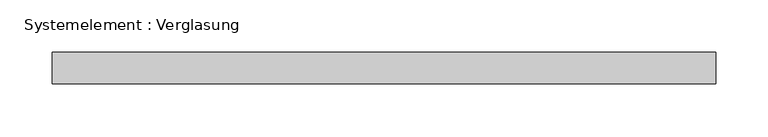
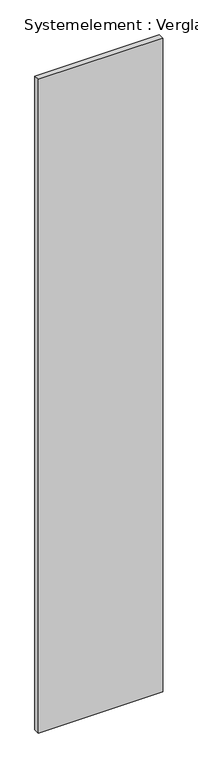
"""IFC4 building model written with IfcOpenShell, lengths in millimetres: plate geometry, Systemelement : Verglasung."""

from ifc_helpers import new_model, si_unit, origin, origin_with_axes, place, context, project, spatial, polyline, outline, extrude, source, transform, mapped, element, save


def systemelement_verglasung_402c5edd(model_context):
    return source(origin(), model_context, "Body", "SweptSolid", [
        extrude(outline(polyline([(317.1874995, -15.0), (-317.1874995, -15.0), (-317.1874995, 15.0), (317.1874995, 15.0), (317.1874995, -15.0)])), origin_with_axes(), (0.0, 0.0, 1.0), 3524.1717369),
    ])


if __name__ == "__main__":
    model = new_model("IFC4")
    model_context = context("Model", 3, world=origin())
    ifc_project = project(units=[si_unit("LENGTHUNIT", "METRE", prefix="MILLI")], contexts=[model_context])
    site = spatial("IfcSite", under=ifc_project)
    building = spatial("IfcBuilding", under=site)
    placement = place(None, origin())
    systemelement_verglasung_shape = systemelement_verglasung_402c5edd(model_context)
    element("IfcPlate", 1, ObjectType="Systemelement : Verglasung", at=placement, inside=building, context=model_context, shape_type="MappedRepresentation", body=[
        mapped(systemelement_verglasung_shape, transform((0.0, 0.0, 0.0), x_axis=(1.0, 0.0, 0.0), y_axis=(0.0, 1.0, 0.0), z_axis=(0.0, 0.0, 1.0))),
    ])
    save(model, "model.ifc")
